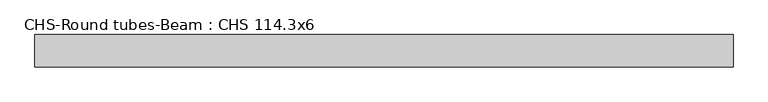
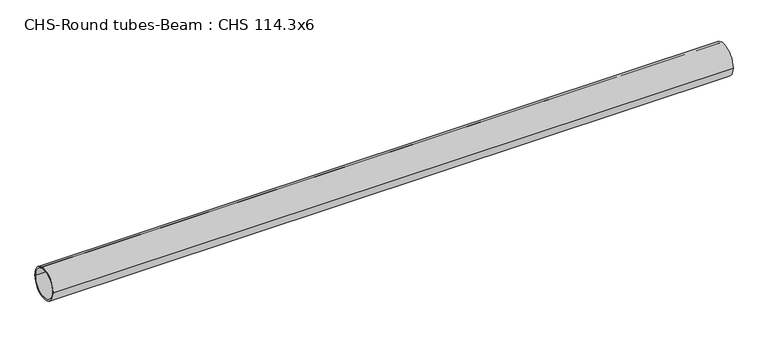
"""IFC4 building model written with IfcOpenShell, lengths in millimetres: beam geometry, CHS-Round tubes-Beam : CHS 114.3x6."""

from ifc_helpers import new_model, si_unit, point, frame, origin, origin_2d, place, context, project, spatial, circle_curve, trimmed, segment, composite_curve, outline, extrude, source, transform, mapped, element, save


def chs_round_tubes_beam_chs_114_3x6_7007341b(model_context):
    return source(origin(), model_context, "Body", "SweptSolid", [
        extrude(outline(composite_curve([segment(trimmed(circle_curve(origin_2d(), 57.15), [point((57.15, 0.0))], [point((-57.15, 0.0))], False, "CARTESIAN"), True, "CONTINUOUS"), segment(trimmed(circle_curve(origin_2d(), 57.15), [point((-57.15, 0.0))], [point((57.15, 0.0))], False, "CARTESIAN"), True, "CONTINUOUS")], self_intersect=False), holes=[composite_curve([segment(trimmed(circle_curve(origin_2d(), 51.15), [point((51.15, 0.0))], [point((-51.15, 0.0))], True, "CARTESIAN"), True, "CONTINUOUS"), segment(trimmed(circle_curve(origin_2d(), 51.15), [point((-51.15, 0.0))], [point((51.15, 0.0))], True, "CARTESIAN"), True, "CONTINUOUS")], self_intersect=False)]), frame((-1168.4168574, 0.0, 0.0), z_axis=(1.0, 0.0, 0.0), x_axis=(0.0, 1.0, 0.0)), (0.0, 0.0, 1.0), 2457.0862698),
    ])


if __name__ == "__main__":
    model = new_model("IFC4")
    model_context = context("Model", 3, world=origin())
    ifc_project = project(units=[si_unit("LENGTHUNIT", "METRE", prefix="MILLI")], contexts=[model_context])
    site = spatial("IfcSite", under=ifc_project)
    building = spatial("IfcBuilding", under=site)
    placement = place(None, origin())
    chs_round_tubes_beam_chs_114_3x6_shape = chs_round_tubes_beam_chs_114_3x6_7007341b(model_context)
    element("IfcBeam", 1, ObjectType="CHS-Round tubes-Beam : CHS 114.3x6", at=placement, inside=building, context=model_context, shape_type="MappedRepresentation", body=[
        mapped(chs_round_tubes_beam_chs_114_3x6_shape, transform((0.0, 0.0, 0.0), x_axis=(1.0, 0.0, 0.0), y_axis=(0.0, 1.0, 0.0), z_axis=(0.0, 0.0, 1.0))),
    ])
    save(model, "model.ifc")
